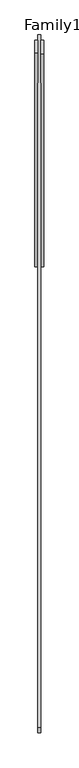
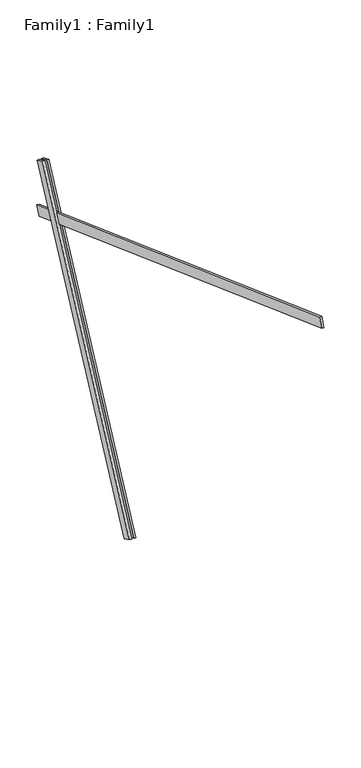
"""IFC4 building model written with IfcOpenShell, lengths in millimetres: proxy geometry, Family1 : Family1."""

from ifc_helpers import new_model, si_unit, frame, origin, place, context, project, spatial, polyline, outline, extrude, source, transform, mapped, element, save


def family1_family1_1a432e44(model_context):
    return source(origin(), model_context, "Body", "SweptSolid", [
        extrude(outline(polyline([(0.0, 0.0), (0.0, -20.0), (-100.0000001, -20.0), (-100.0000001, 0.0), (0.0, 0.0)])), frame((-30.0, 46.3241747, -22.5938096), z_axis=(0.0, 0.4383711467890692, 0.8987940462991711), x_axis=(0.0, 0.8987940462991711, -0.4383711467890692)), (0.0, 0.0, 1.0), 3300.0),
        extrude(outline(polyline([(0.0, 0.0), (0.0, -20.0), (-99.9999999, -20.0), (-99.9999999, 0.0), (0.0, 0.0)])), frame((10.0, 45.270232, -22.0797674), z_axis=(0.0, 0.4383711467890692, 0.8987940462991711), x_axis=(0.0, 0.8987940462991711, -0.4383711467890692)), (0.0, 0.0, 1.0), 3300.0),
        extrude(outline(polyline([(0.0, -20.0), (0.0, 0.0), (5000.0000001, 0.0), (5000.0000001, -20.0), (0.0, -20.0)])), frame((-10.0, -3204.584355, 4076.5390966), z_axis=(0.0, 0.34202014332567077, 0.9396926207859077), x_axis=(0.0, 0.9396926207859077, -0.34202014332567077)), (0.0, 0.0, 1.0), 100.0),
    ])


if __name__ == "__main__":
    model = new_model("IFC4")
    model_context = context("Model", 3, world=origin())
    ifc_project = project(units=[si_unit("LENGTHUNIT", "METRE", prefix="MILLI")], contexts=[model_context])
    site = spatial("IfcSite", under=ifc_project)
    building = spatial("IfcBuilding", under=site)
    placement = place(None, origin())
    family1_family1_shape = family1_family1_1a432e44(model_context)
    element("IfcBuildingElementProxy", 1, Name="Family1 : Family1", ObjectType="Family1 : Family1", at=placement, inside=building, context=model_context, shape_type="MappedRepresentation", body=[
        mapped(family1_family1_shape, transform((0.0, 0.0, 0.0), x_axis=(1.0, 0.0, 0.0), y_axis=(0.0, 1.0, 0.0), z_axis=(0.0, 0.0, 1.0))),
    ])
    save(model, "model.ifc")
